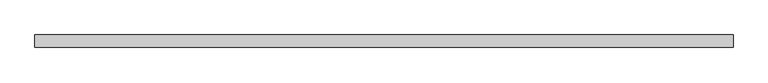
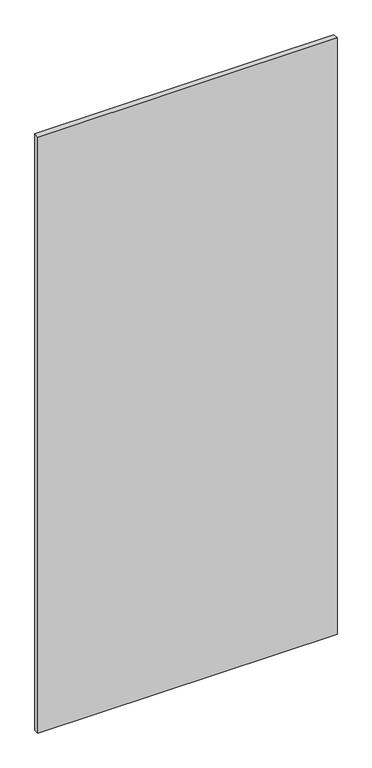
"""IFC4 building model written with IfcOpenShell, lengths in millimetres: plate geometry."""

from ifc_helpers import new_model, si_unit, origin, origin_with_axes, place, context, project, spatial, polyline, outline, extrude, source, transform, mapped, element, save


def plate_6ca32698(model_context):
    return source(origin(), model_context, "Body", "SweptSolid", [
        extrude(outline(polyline([(700.0, 24.5), (-700.0, 24.5), (-700.0, 49.5), (700.0, 49.5), (700.0, 24.5)])), origin_with_axes(), (0.0, 0.0, 1.0), 2950.0),
    ])


if __name__ == "__main__":
    model = new_model("IFC4")
    model_context = context("Model", 3, world=origin())
    ifc_project = project(units=[si_unit("LENGTHUNIT", "METRE", prefix="MILLI")], contexts=[model_context])
    site = spatial("IfcSite", under=ifc_project)
    building = spatial("IfcBuilding", under=site)
    placement = place(None, origin())
    plate_shape = plate_6ca32698(model_context)
    element("IfcPlate", 1, at=placement, inside=building, context=model_context, shape_type="MappedRepresentation", body=[
        mapped(plate_shape, transform((0.0, 0.0, 0.0), x_axis=(1.0, 0.0, 0.0), y_axis=(0.0, 1.0, 0.0), z_axis=(0.0, 0.0, 1.0))),
    ])
    save(model, "model.ifc")
